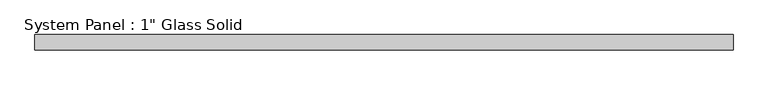
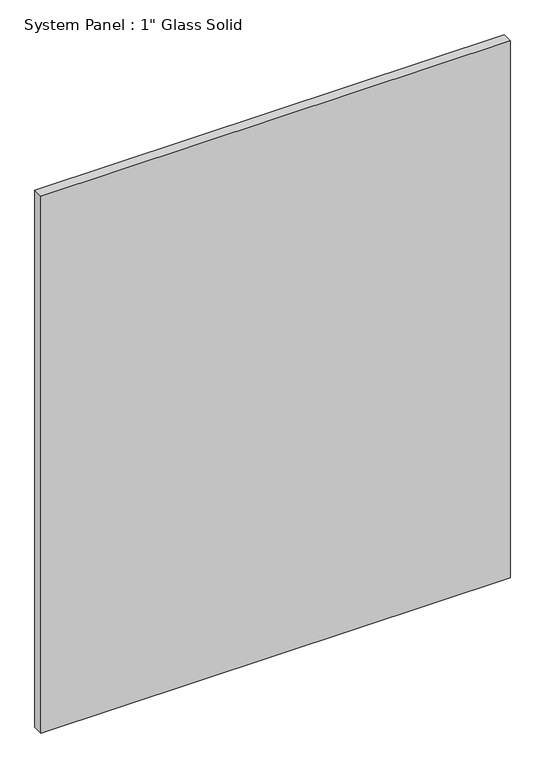
"""IFC4 building model written with IfcOpenShell, lengths in millimetres: plate geometry."""

from ifc_helpers import new_model, si_unit, origin, origin_with_axes, place, context, project, spatial, polyline, outline, extrude, source, transform, mapped, element, save


def plate_a4ab4442(model_context):
    return source(origin(), model_context, "Body", "SweptSolid", [
        extrude(outline(polyline([(584.2008852, -12.7), (-584.2008852, -12.7), (-584.2008852, 12.7), (584.2008852, 12.7), (584.2008852, -12.7)])), origin_with_axes(), (0.0, 0.0, 1.0), 1413.6241382),
    ])


if __name__ == "__main__":
    model = new_model("IFC4")
    model_context = context("Model", 3, world=origin())
    ifc_project = project(units=[si_unit("LENGTHUNIT", "METRE", prefix="MILLI")], contexts=[model_context])
    site = spatial("IfcSite", under=ifc_project)
    building = spatial("IfcBuilding", under=site)
    placement = place(None, origin())
    plate_shape = plate_a4ab4442(model_context)
    element("IfcPlate", 1, ObjectType="System Panel : 1\" Glass Solid", at=placement, inside=building, context=model_context, shape_type="MappedRepresentation", body=[
        mapped(plate_shape, transform((0.0, 0.0, 0.0), x_axis=(1.0, 0.0, 0.0), y_axis=(0.0, 1.0, 0.0), z_axis=(0.0, 0.0, 1.0))),
    ])
    save(model, "model.ifc")
